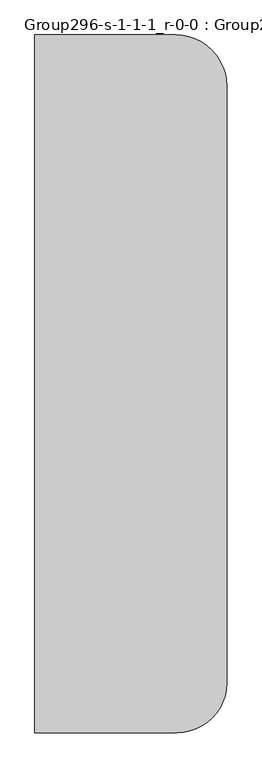
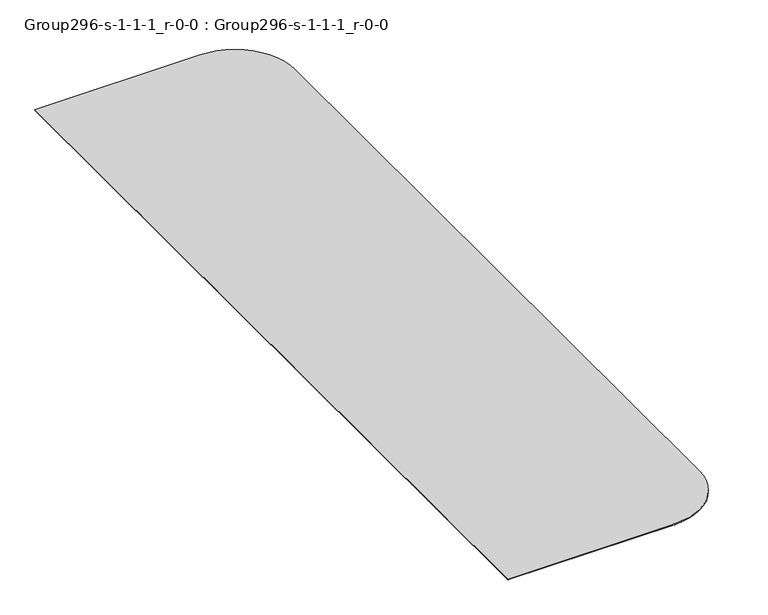
"""IFC4 building model written with IfcOpenShell, lengths in millimetres: geographic element geometry, Group296-s-1-1-1_r-0-0 : Group296-s-1-1-1_r-0-0."""

from ifc_helpers import new_model, si_unit, origin, place, context, project, spatial, triangles, source, transform, mapped, element, save


def group296_s_1_1_1_r_0_0_group296_s_1_1_1_r_0_0_173b093d(model_context):
    return source(origin(), model_context, "Body", "Tessellation", [
        triangles([(79172.8417969, 88.9619754, 152.4), (77815.5385986, 0.0, 0.0), (79172.8417969, 88.9619754, 0.0), (77815.5385986, 0.0, 152.4), (87859.8743408, 7707.2882767, 0.0), (87422.6452148, 6419.2645706, 152.4), (87422.6452148, 6419.2645706, 0.0), (87859.8743408, 7707.2882767, 152.4), (80506.9092041, 354.3257197, 152.4), (80506.9092041, 354.3257197, 0.0), (88214.1968994, 10398.6594635, 0.0), (88125.2348877, 9041.3620789, 152.4), (88125.2348877, 9041.3620789, 0.0), (88214.1968994, 10398.6594635, 152.4), (83014.867749, 1393.1562424, 152.4), (81794.9329102, 791.5508125, 0.0), (83014.867749, 1393.1562424, 0.0), (81794.9329102, 791.5508125, 152.4), (86065.3513184, 4068.3566139, 0.0), (85168.5037354, 3045.6969429, 152.4), (85168.5037354, 3045.6969429, 0.0), (86065.3513184, 4068.3566139, 152.4), (84145.8405762, 2148.8481972, 152.4), (84145.8405762, 2148.8481972, 0.0), (86821.0447266, 5199.3297318, 152.4), (86821.0447266, 5199.3297318, 0.0), (48126.4949707, 0.0, 0.0), (48126.4949707, 0.0, 152.4), (77469.1085815, 145480.0875, 152.4), (78871.6229736, 145388.1582275, 0.0), (77469.1085815, 145480.0875, 0.0), (78871.6229736, 145388.1582275, 152.4), (88122.2769287, 136137.5135742, 0.0), (88214.1968994, 134734.9945313, 152.4), (88214.1968994, 134734.9945313, 0.0), (88122.2769287, 136137.5135742, 152.4), (87396.2747314, 138846.9667969, 0.0), (87848.0704102, 137516.034082, 152.4), (87848.0704102, 137516.034082, 0.0), (87396.2747314, 138846.9667969, 152.4), (81581.0761963, 144662.165332, 152.4), (82841.650415, 144040.5195557, 0.0), (81581.0761963, 144662.165332, 0.0), (82841.650415, 144040.5195557, 152.4), (80250.1434814, 145113.9610107, 0.0), (80250.1434814, 145113.9610107, 152.4), (84010.3046631, 143259.6462891, 0.0), (84010.3046631, 143259.6462891, 152.4), (85067.0401611, 142332.92146, 0.0), (85067.0401611, 142332.92146, 152.4), (48126.4949707, 145480.0875, 0.0), (85993.7649902, 141276.1952637, 0.0), (86774.6289551, 140107.5410156, 0.0), (85993.7649902, 141276.1952637, 152.4), (86774.6289551, 140107.5410156, 152.4), (48126.4949707, 145480.0875, 152.4)], [[1, 2, 3], [2, 1, 4], [5, 6, 7], [6, 5, 8], [9, 3, 10], [3, 9, 1], [11, 12, 13], [12, 11, 14], [15, 16, 17], [16, 15, 18], [19, 20, 21], [20, 19, 22], [13, 8, 5], [8, 13, 12], [23, 17, 24], [17, 23, 15], [18, 10, 16], [10, 18, 9], [20, 24, 21], [24, 20, 23], [7, 25, 26], [25, 7, 6], [26, 22, 19], [22, 26, 25], [4, 27, 2], [27, 4, 28], [29, 30, 31], [30, 29, 32], [33, 34, 35], [34, 33, 36], [37, 38, 39], [38, 37, 40], [35, 14, 11], [14, 35, 34], [41, 42, 43], [42, 41, 44], [32, 45, 30], [45, 32, 46], [44, 47, 42], [47, 44, 48], [46, 43, 45], [43, 46, 41], [48, 49, 47], [49, 48, 50], [31, 27, 51], [27, 31, 2], [2, 31, 30], [2, 30, 3], [3, 30, 45], [3, 45, 10], [10, 45, 43], [10, 43, 16], [16, 43, 42], [16, 42, 17], [17, 42, 47], [17, 47, 24], [24, 47, 49], [24, 49, 21], [21, 49, 52], [21, 52, 19], [19, 52, 53], [19, 53, 26], [26, 53, 37], [26, 37, 7], [7, 37, 39], [7, 39, 5], [5, 39, 33], [5, 33, 13], [13, 33, 35], [13, 35, 11], [39, 36, 33], [36, 39, 38], [49, 54, 52], [54, 49, 50], [53, 40, 37], [40, 53, 55], [56, 31, 51], [31, 56, 29], [28, 29, 56], [29, 28, 4], [29, 4, 32], [32, 4, 1], [32, 1, 46], [46, 1, 9], [46, 9, 41], [41, 9, 18], [41, 18, 44], [44, 18, 15], [44, 15, 48], [48, 15, 23], [48, 23, 50], [50, 23, 20], [50, 20, 54], [54, 20, 22], [54, 22, 55], [55, 22, 25], [55, 25, 40], [40, 25, 6], [40, 6, 38], [38, 6, 8], [38, 8, 36], [36, 8, 12], [36, 12, 34], [34, 12, 14], [56, 27, 28], [27, 56, 51], [52, 55, 53], [55, 52, 54]]),
    ])


if __name__ == "__main__":
    model = new_model("IFC4")
    model_context = context("Model", 3, world=origin())
    ifc_project = project(units=[si_unit("LENGTHUNIT", "METRE", prefix="MILLI")], contexts=[model_context])
    site = spatial("IfcSite", under=ifc_project)
    building = spatial("IfcBuilding", under=site)
    placement = place(None, origin())
    group296_s_1_1_1_r_0_0_group296_s_1_1_1_r_0_0_shape = group296_s_1_1_1_r_0_0_group296_s_1_1_1_r_0_0_173b093d(model_context)
    element("IfcGeographicElement", 1, ObjectType="Group296-s-1-1-1_r-0-0 : Group296-s-1-1-1_r-0-0", at=placement, inside=building, context=model_context, shape_type="MappedRepresentation", body=[
        mapped(group296_s_1_1_1_r_0_0_group296_s_1_1_1_r_0_0_shape, transform((0.0, 0.0, 0.0), x_axis=(1.0, 0.0, 0.0), y_axis=(0.0, 1.0, 0.0), z_axis=(0.0, 0.0, 1.0))),
    ])
    save(model, "model.ifc")
